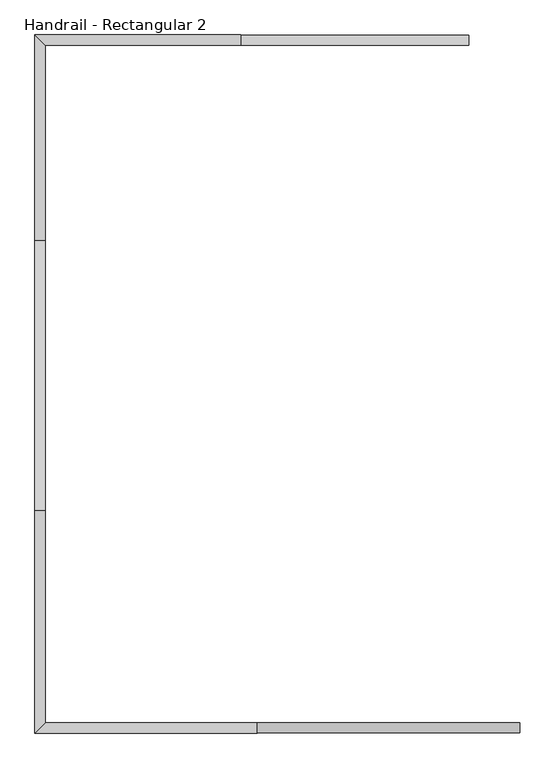
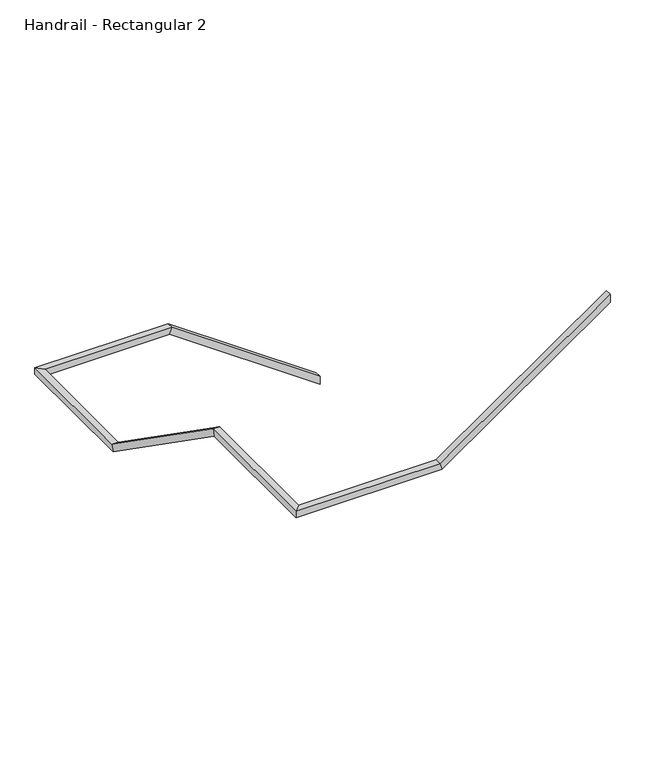
"""IFC4 building model written with IfcOpenShell, lengths in millimetres: railing geometry, Handrail - Rectangular 2."""

from ifc_helpers import new_model, si_unit, origin, place, context, project, spatial, faceted_brep, source, transform, mapped, element, save


def handrail_rectangular_2_20c58cb3(model_context):
    return source(origin(), model_context, "Body", "Brep", [
        faceted_brep([(3094.4995947, 6130.3637279, 1092.2), (3094.4995947, 6130.3637279, 1030.1906975), (3094.4995947, 6181.1637279, 1030.1906975), (3094.4995947, 6181.1637279, 1092.2), (1951.4995947, 6130.3637279, 1892.3), (1935.4863054, 6130.3637279, 1841.5), (1935.4863054, 6181.1637279, 1841.5), (1951.4995947, 6181.1637279, 1892.3), (973.5995947, 6130.3637279, 1892.3), (973.5995947, 6130.3637279, 1841.5), (922.7995947, 6181.1637279, 1841.5), (922.7995947, 6181.1637279, 1892.3), (973.5995947, 5152.4637279, 1892.3), (973.5995947, 5136.4504386, 1841.5), (922.7995947, 5136.4504386, 1841.5), (922.7995947, 5152.4637279, 1892.3), (973.5995947, 3799.9137279, 2839.085), (973.5995947, 3783.9004386, 2788.285), (922.7995947, 3783.9004386, 2788.285), (922.7995947, 3799.9137279, 2839.085), (973.5995947, 2739.4637279, 2839.085), (973.5995947, 2739.4637279, 2788.285), (922.7995947, 2688.6637279, 2788.285), (922.7995947, 2688.6637279, 2839.085), (2034.0495947, 2739.4637279, 2839.085), (2050.062884, 2739.4637279, 2788.285), (2050.062884, 2688.6637279, 2788.285), (2034.0495947, 2688.6637279, 2839.085), (3348.4995947, 2739.4637279, 3759.2), (3348.4995947, 2688.6637279, 3759.2), (3348.4995947, 2688.6637279, 3697.1906975), (3348.4995947, 2739.4637279, 3697.1906975)], [[[0, 1, 2, 3]], [[1, 0, 4, 5]], [[2, 1, 5, 6]], [[3, 2, 6, 7]], [[0, 3, 7, 4]], [[5, 4, 8, 9]], [[6, 5, 9, 10]], [[7, 6, 10, 11]], [[4, 7, 11, 8]], [[9, 8, 12, 13]], [[10, 9, 13, 14]], [[11, 10, 14, 15]], [[8, 11, 15, 12]], [[13, 12, 16, 17]], [[14, 13, 17, 18]], [[15, 14, 18, 19]], [[12, 15, 19, 16]], [[17, 16, 20, 21]], [[18, 17, 21, 22]], [[19, 18, 22, 23]], [[16, 19, 23, 20]], [[21, 20, 24, 25]], [[22, 21, 25, 26]], [[23, 22, 26, 27]], [[20, 23, 27, 24]], [[28, 29, 30, 31]], [[25, 24, 28, 31]], [[26, 25, 31, 30]], [[27, 26, 30, 29]], [[24, 27, 29, 28]]]),
    ])


if __name__ == "__main__":
    model = new_model("IFC4")
    model_context = context("Model", 3, world=origin())
    ifc_project = project(units=[si_unit("LENGTHUNIT", "METRE", prefix="MILLI")], contexts=[model_context])
    site = spatial("IfcSite", under=ifc_project)
    building = spatial("IfcBuilding", under=site)
    placement = place(None, origin())
    handrail_rectangular_2_shape = handrail_rectangular_2_20c58cb3(model_context)
    element("IfcRailing", 1, ObjectType="Handrail - Rectangular 2", at=placement, inside=building, context=model_context, shape_type="MappedRepresentation", body=[
        mapped(handrail_rectangular_2_shape, transform((0.0, 0.0, 0.0), x_axis=(1.0, 0.0, 0.0), y_axis=(0.0, 1.0, 0.0), z_axis=(0.0, 0.0, 1.0))),
    ])
    save(model, "model.ifc")
